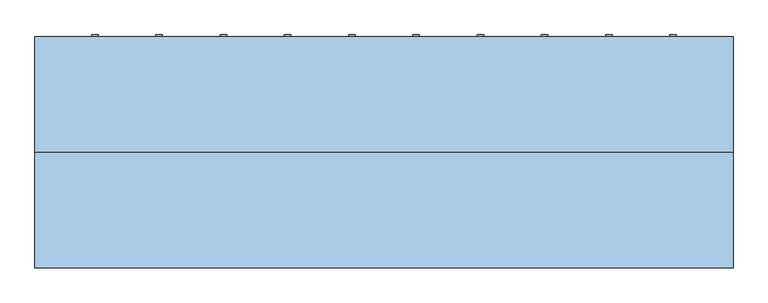
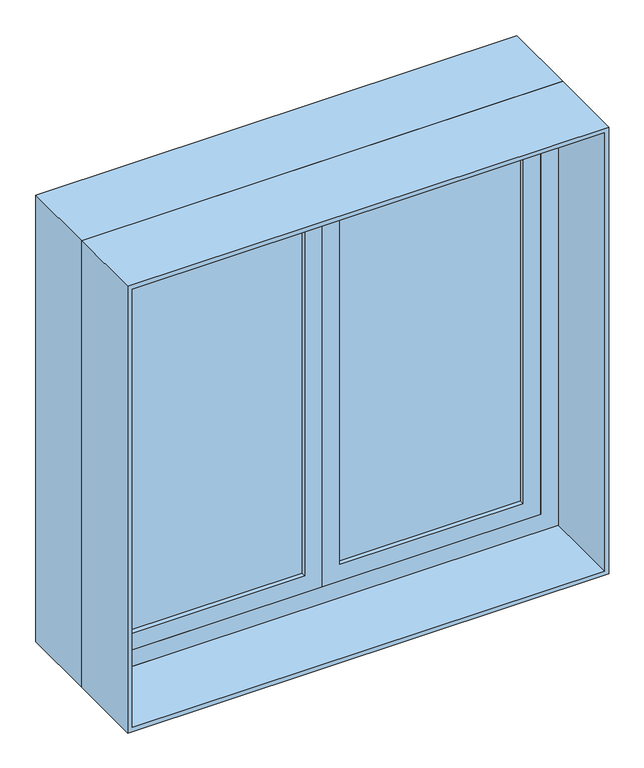
"""IFC4 building model written with IfcOpenShell, lengths in millimetres: window geometry."""

from ifc_helpers import new_model, si_unit, frame, origin, place, context, project, spatial, polyline, outline, extrude, source, transform, mapped, element, save


def window_96050faf(model_context):
    return source(origin(), model_context, "Body", "SweptSolid", [
        extrude(outline(polyline([(682.5, 399.65), (682.5, 250.35), (667.5, 250.35), (667.5, 399.65), (682.5, 399.65)])), frame((0.0, 0.0, 915.0), z_axis=(0.0, 0.0, 1.0), x_axis=(1.0, 0.0, 0.0)), (0.0, 0.0, 1.0), 1420.0),
        extrude(outline(polyline([(532.5, 399.65), (532.5, 250.35), (517.5, 250.35), (517.5, 399.65), (532.5, 399.65)])), frame((0.0, 0.0, 915.0), z_axis=(0.0, 0.0, 1.0), x_axis=(1.0, 0.0, 0.0)), (0.0, 0.0, 1.0), 1420.0),
        extrude(outline(polyline([(382.5, 399.65), (382.5, 250.35), (367.5, 250.35), (367.5, 399.65), (382.5, 399.65)])), frame((0.0, 0.0, 915.0), z_axis=(0.0, 0.0, 1.0), x_axis=(1.0, 0.0, 0.0)), (0.0, 0.0, 1.0), 1420.0),
        extrude(outline(polyline([(232.5, 399.65), (232.5, 250.35), (217.5, 250.35), (217.5, 399.65), (232.5, 399.65)])), frame((0.0, 0.0, 915.0), z_axis=(0.0, 0.0, 1.0), x_axis=(1.0, 0.0, 0.0)), (0.0, 0.0, 1.0), 1420.0),
        extrude(outline(polyline([(82.5, 399.65), (82.5, 250.35), (67.5, 250.35), (67.5, 399.65), (82.5, 399.65)])), frame((0.0, 0.0, 915.0), z_axis=(0.0, 0.0, 1.0), x_axis=(1.0, 0.0, 0.0)), (0.0, 0.0, 1.0), 1420.0),
        extrude(outline(polyline([(-67.5, 399.65), (-67.5, 250.35), (-82.5, 250.35), (-82.5, 399.65), (-67.5, 399.65)])), frame((0.0, 0.0, 915.0), z_axis=(0.0, 0.0, 1.0), x_axis=(1.0, 0.0, 0.0)), (0.0, 0.0, 1.0), 1420.0),
        extrude(outline(polyline([(-217.5, 399.65), (-217.5, 250.35), (-232.5, 250.35), (-232.5, 399.65), (-217.5, 399.65)])), frame((0.0, 0.0, 915.0), z_axis=(0.0, 0.0, 1.0), x_axis=(1.0, 0.0, 0.0)), (0.0, 0.0, 1.0), 1420.0),
        extrude(outline(polyline([(-367.5, 399.65), (-367.5, 250.35), (-382.5, 250.35), (-382.5, 399.65), (-367.5, 399.65)])), frame((0.0, 0.0, 915.0), z_axis=(0.0, 0.0, 1.0), x_axis=(1.0, 0.0, 0.0)), (0.0, 0.0, 1.0), 1420.0),
        extrude(outline(polyline([(-517.5, 399.65), (-517.5, 250.35), (-532.5, 250.35), (-532.5, 399.65), (-517.5, 399.65)])), frame((0.0, 0.0, 915.0), z_axis=(0.0, 0.0, 1.0), x_axis=(1.0, 0.0, 0.0)), (0.0, 0.0, 1.0), 1420.0),
        extrude(outline(polyline([(-667.5, 399.65), (-667.5, 250.35), (-682.5, 250.35), (-682.5, 399.65), (-667.5, 399.65)])), frame((0.0, 0.0, 915.0), z_axis=(0.0, 0.0, 1.0), x_axis=(1.0, 0.0, 0.0)), (0.0, 0.0, 1.0), 1420.0),
        extrude(outline(polyline([(-450.0, 300.0), (-500.0, 300.0), (-500.0, 350.0), (-450.0, 350.0), (-450.0, 300.0)])), frame((0.0, 0.0, 815.0), z_axis=(0.0, 0.0, 1.0), x_axis=(1.0, 0.0, 0.0)), (0.0, 0.0, 1.0), 50.0),
        extrude(outline(polyline([(500.0, 300.0), (450.0, 300.0), (450.0, 350.0), (500.0, 350.0), (500.0, 300.0)])), frame((0.0, 0.0, 815.0), z_axis=(0.0, 0.0, 1.0), x_axis=(1.0, 0.0, 0.0)), (0.0, 0.0, 1.0), 50.0),
        extrude(outline(polyline([(2385.0, 800.0), (2385.0, -800.0), (865.0, -800.0), (865.0, 800.0), (2385.0, 800.0)]), holes=[polyline([(2335.0, 750.0), (915.0, 750.0), (915.0, -750.0), (2335.0, -750.0), (2335.0, 750.0)])]), frame((0.0, 300.0, 0.0), z_axis=(0.0, 1.0, 0.0), x_axis=(0.0, 0.0, 1.0)), (0.0, 0.0, 1.0), 50.0),
        extrude(outline(polyline([(2325.0, 740.0), (2325.0, 0.0), (875.0, 0.0), (875.0, 740.0), (2325.0, 740.0)]), holes=[polyline([(2265.0, 680.0), (935.0, 680.0), (935.0, 60.0), (2265.0, 60.0), (2265.0, 680.0)])]), frame((0.0, 125.0, 0.0), z_axis=(0.0, 1.0, 0.0), x_axis=(0.0, 0.0, 1.0)), (0.0, 0.0, 1.0), 60.0),
        extrude(outline(polyline([(2325.0, 0.0), (2325.0, -740.0), (875.0, -740.0), (875.0, 0.0), (2325.0, 0.0)]), holes=[polyline([(2265.0, -60.0), (935.0, -60.0), (935.0, -680.0), (2265.0, -680.0), (2265.0, -60.0)])]), frame((0.0, 125.0, 0.0), z_axis=(0.0, 1.0, 0.0), x_axis=(0.0, 0.0, 1.0)), (0.0, 0.0, 1.0), 60.0),
        extrude(outline(polyline([(2400.0, 815.0), (2400.0, -815.0), (800.0, -815.0), (800.0, 815.0), (2400.0, 815.0)]), holes=[polyline([(815.0, 800.0), (815.0, -800.0), (2385.0, -800.0), (2385.0, 800.0), (815.0, 800.0)])]), frame((0.0, -145.0, 0.0), z_axis=(0.0, 1.0, 0.0), x_axis=(0.0, 0.0, 1.0)), (0.0, 0.0, 1.0), 270.0),
        extrude(outline(polyline([(2400.0, -815.0), (800.0, -815.0), (800.0, 815.0), (2400.0, 815.0), (2400.0, -815.0)]), holes=[polyline([(815.0, 800.0), (815.0, -800.0), (2385.0, -800.0), (2385.0, 800.0), (815.0, 800.0)])]), frame((0.0, 125.0, 0.0), z_axis=(0.0, 1.0, 0.0), x_axis=(0.0, 0.0, 1.0)), (0.0, 0.0, 1.0), 270.0),
        extrude(outline(polyline([(2385.0, -800.0), (815.0, -800.0), (815.0, 800.0), (2385.0, 800.0), (2385.0, -800.0)]), holes=[polyline([(2325.0, 740.0), (875.0, 740.0), (875.0, -740.0), (2325.0, -740.0), (2325.0, 740.0)])]), frame((0.0, 125.0, 0.0), z_axis=(0.0, 1.0, 0.0), x_axis=(0.0, 0.0, 1.0)), (0.0, 0.0, 1.0), 60.0),
        extrude(outline(polyline([(680.0, 140.0), (60.0, 140.0), (60.0, 170.0), (680.0, 170.0), (680.0, 140.0)])), frame((0.0, 0.0, 935.0), z_axis=(0.0, 0.0, 1.0), x_axis=(1.0, 0.0, 0.0)), (0.0, 0.0, 1.0), 1330.0),
        extrude(outline(polyline([(-60.0, 140.0), (-680.0, 140.0), (-680.0, 170.0), (-60.0, 170.0), (-60.0, 140.0)])), frame((0.0, 0.0, 935.0), z_axis=(0.0, 0.0, 1.0), x_axis=(1.0, 0.0, 0.0)), (0.0, 0.0, 1.0), 1330.0),
    ])


if __name__ == "__main__":
    model = new_model("IFC4")
    model_context = context("Model", 3, world=origin())
    ifc_project = project(units=[si_unit("LENGTHUNIT", "METRE", prefix="MILLI")], contexts=[model_context])
    site = spatial("IfcSite", under=ifc_project)
    building = spatial("IfcBuilding", under=site)
    placement = place(None, origin())
    window_shape = window_96050faf(model_context)
    element("IfcWindow", 1, at=placement, inside=building, context=model_context, shape_type="MappedRepresentation", body=[
        mapped(window_shape, transform((0.0, 0.0, 0.0), x_axis=(1.0, 0.0, 0.0), y_axis=(0.0, 1.0, 0.0), z_axis=(0.0, 0.0, 1.0))),
    ])
    save(model, "model.ifc")
